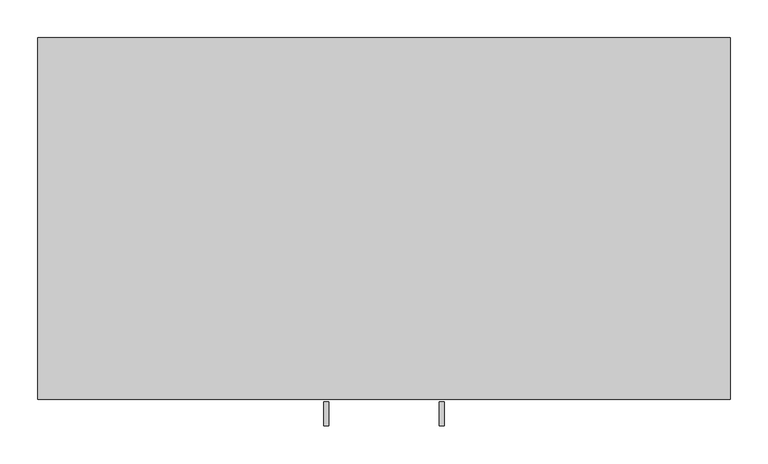
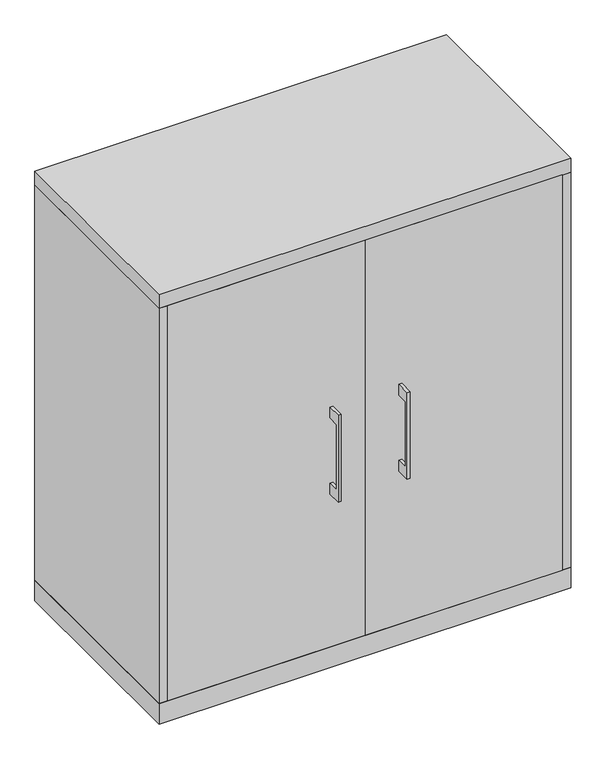
"""IFC4 building model written with IfcOpenShell, lengths in millimetres: furniture geometry."""

from ifc_helpers import new_model, si_unit, frame, origin, origin_with_axes, place, context, project, spatial, polyline, outline, extrude, source, transform, mapped, element, save


def furniture_fc939fe9(model_context):
    return source(origin(), model_context, "Body", "SweptSolid", [
        extrude(outline(polyline([(-479.425, 585.7875), (-504.8249758, 585.7875), (-504.8249758, 433.3875), (-479.425, 433.3875), (-479.425, 407.9875), (-511.1749879, 407.9875), (-511.1749879, 611.1875), (-479.425, 611.1875), (-479.425, 585.7875)])), frame((-79.3749879, 0.0, 0.0), z_axis=(1.0, 0.0, 0.0), x_axis=(0.0, 1.0, 0.0)), (0.0, 0.0, 1.0), 6.3499758),
        extrude(outline(polyline([(-436.5625, -476.25), (-436.5625, -457.2), (0.0, -457.2), (0.0, -476.25), (-436.5625, -476.25)])), frame((0.0, 0.0, 47.625), z_axis=(0.0, 0.0, 1.0), x_axis=(1.0, 0.0, 0.0)), (0.0, 0.0, 1.0), 923.925),
        extrude(outline(polyline([(-479.425, 585.7875), (-504.8249758, 585.7875), (-504.8249758, 433.3875), (-479.425, 433.3875), (-479.425, 407.9875), (-511.1749879, 407.9875), (-511.1749879, 611.1875), (-479.425, 611.1875), (-479.425, 585.7875)])), frame((73.0250121, 0.0, 0.0), z_axis=(1.0, 0.0, 0.0), x_axis=(0.0, 1.0, 0.0)), (0.0, 0.0, 1.0), 6.3499758),
        extrude(outline(polyline([(436.5625, -476.25), (0.0, -476.25), (0.0, -457.2), (436.5625, -457.2), (436.5625, -476.25)])), frame((0.0, 0.0, 47.625), z_axis=(0.0, 0.0, 1.0), x_axis=(1.0, 0.0, 0.0)), (0.0, 0.0, 1.0), 923.925),
        extrude(outline(polyline([(436.5625, -19.05), (436.5625, -457.2), (-436.5625, -457.2), (-436.5625, -19.05), (436.5625, -19.05)])), frame((0.0, 0.0, 654.05), z_axis=(0.0, 0.0, 1.0), x_axis=(1.0, 0.0, 0.0)), (0.0, 0.0, 1.0), 19.05),
        extrude(outline(polyline([(436.5625, -19.05), (436.5625, -457.2), (-436.5625, -457.2), (-436.5625, -19.05), (436.5625, -19.05)])), frame((0.0, 0.0, 346.075), z_axis=(0.0, 0.0, 1.0), x_axis=(1.0, 0.0, 0.0)), (0.0, 0.0, 1.0), 19.05),
        extrude(outline(polyline([(455.6125, 0.0), (455.6125, -476.25), (-455.6125, -476.25), (-455.6125, 0.0), (455.6125, 0.0)])), origin_with_axes(), (0.0, 0.0, 1.0), 47.625),
        extrude(outline(polyline([(455.6125, 0.0), (455.6125, -476.25), (-455.6125, -476.25), (-455.6125, 0.0), (455.6125, 0.0)])), frame((0.0, 0.0, 971.55), z_axis=(0.0, 0.0, 1.0), x_axis=(1.0, 0.0, 0.0)), (0.0, 0.0, 1.0), 31.75),
        extrude(outline(polyline([(455.6125, 0.0), (455.6125, -476.25), (436.5625, -476.25), (436.5625, -19.05), (-436.5625, -19.05), (-436.5625, -476.25), (-455.6125, -476.25), (-455.6125, 0.0), (455.6125, 0.0)])), frame((0.0, 0.0, 47.625), z_axis=(0.0, 0.0, 1.0), x_axis=(1.0, 0.0, 0.0)), (0.0, 0.0, 1.0), 923.925),
    ])


if __name__ == "__main__":
    model = new_model("IFC4")
    model_context = context("Model", 3, world=origin())
    ifc_project = project(units=[si_unit("LENGTHUNIT", "METRE", prefix="MILLI")], contexts=[model_context])
    site = spatial("IfcSite", under=ifc_project)
    building = spatial("IfcBuilding", under=site)
    placement = place(None, origin())
    furniture_shape = furniture_fc939fe9(model_context)
    element("IfcFurniture", 1, at=placement, inside=building, context=model_context, shape_type="MappedRepresentation", body=[
        mapped(furniture_shape, transform((0.0, 0.0, 0.0), x_axis=(1.0, 0.0, 0.0), y_axis=(0.0, 1.0, 0.0), z_axis=(0.0, 0.0, 1.0))),
    ])
    save(model, "model.ifc")
